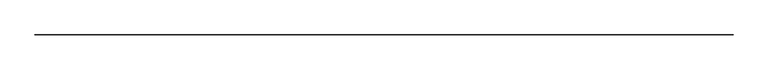
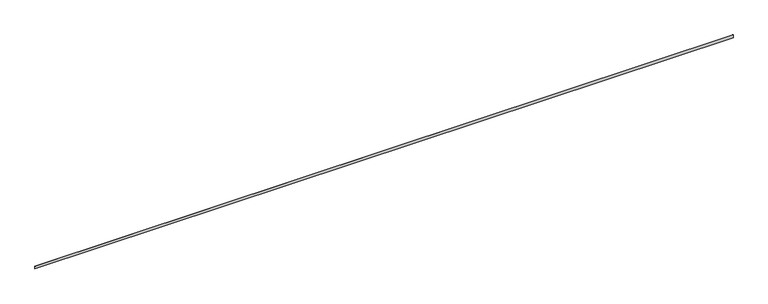
"""IFC4 building model written with IfcOpenShell, lengths in millimetres: railing geometry."""

from ifc_helpers import new_model, si_unit, frame, origin, place, context, project, spatial, polyline, outline, extrude, source, transform, mapped, element, save


def railing_9499820f(model_context):
    return source(origin(), model_context, "Body", "SweptSolid", [
        extrude(outline(polyline([(25073.710694, 54244.7579619), (25073.710694, 54242.7735869), (6785.710694, 54242.7735869), (6785.710694, 54244.7579619), (25073.710694, 54244.7579619)])), frame((0.0, 0.0, 635.0), z_axis=(0.0, 0.0, 1.0), x_axis=(1.0, 0.0, 0.0)), (0.0, 0.0, 1.0), 76.2),
    ])


if __name__ == "__main__":
    model = new_model("IFC4")
    model_context = context("Model", 3, world=origin())
    ifc_project = project(units=[si_unit("LENGTHUNIT", "METRE", prefix="MILLI")], contexts=[model_context])
    site = spatial("IfcSite", under=ifc_project)
    building = spatial("IfcBuilding", under=site)
    placement = place(None, origin())
    railing_shape = railing_9499820f(model_context)
    element("IfcRailing", 1, at=placement, inside=building, context=model_context, shape_type="MappedRepresentation", body=[
        mapped(railing_shape, transform((0.0, 0.0, 0.0), x_axis=(1.0, 0.0, 0.0), y_axis=(0.0, 1.0, 0.0), z_axis=(0.0, 0.0, 1.0))),
    ])
    save(model, "model.ifc")
